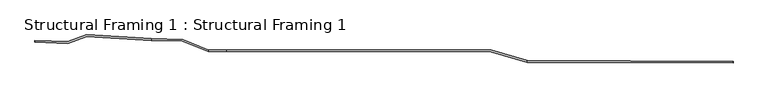
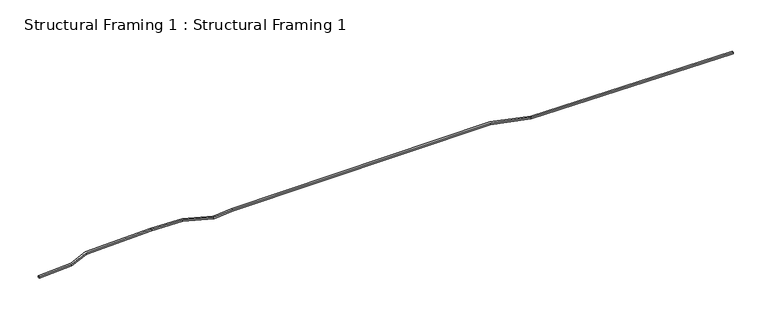
"""IFC4 building model written with IfcOpenShell, lengths in millimetres: beam geometry, Structural Framing 1 : Structural Framing 1."""

import ifcopenshell
import ifcopenshell.guid

model = None  # the IFC model being written
_history = None  # IfcOwnerHistory: only IFC2X3 demands one
_inside = {}  # id of a spatial element -> (the spatial element, [elements in it])
_under = {}  # id of a project, library or spatial element -> (it, [spatial elements below it])
_declared = {}  # id of a project -> (the project, [libraries it declares])
_typed = {}  # id of a type object -> (the type object, [elements of that type])
_made_of = {}  # id of a material, layer set ... -> (it, [elements and type objects made of it])


def new_model(schema):
    """Start an empty IFC model of exactly this schema.

    Asked for "IFC4X3", IfcOpenShell would pick the latest addendum, in which some entities
    have other attributes; the version numbers below select the first issue.
    IFC2X3 requires an IfcOwnerHistory on every rooted entity: one is made here for all.
    """
    global model, _history
    if schema == "IFC4X3":
        model = ifcopenshell.file(schema_version=(4, 3, 0, 0))
    else:
        model = ifcopenshell.file(schema=schema)
    _inside.clear()
    _under.clear()
    _declared.clear()
    _typed.clear()
    _made_of.clear()
    _history = None
    if model.schema == "IFC2X3":
        org = make("IfcOrganization", Name="unknown")
        user = make(
            "IfcPersonAndOrganization",
            ThePerson=make("IfcPerson", FamilyName="unknown"),
            TheOrganization=org,
        )
        app = make(
            "IfcApplication",
            ApplicationDeveloper=org,
            Version="unknown",
            ApplicationFullName="unknown",
            ApplicationIdentifier="unknown",
        )
        _history = make(
            "IfcOwnerHistory",
            OwningUser=user,
            OwningApplication=app,
            ChangeAction="ADDED",
            CreationDate=0,
        )
    return model


def make(cls, **values):
    """One entity of the class cls with the attributes given. An attribute that is None is left unset."""
    return model.create_entity(
        cls, **{name: value for name, value in values.items() if value is not None}
    )


def rooted(cls, **values):
    """An entity with a GlobalId (a new one), such as an element, a storey or a relation."""
    return make(cls, GlobalId=ifcopenshell.guid.new(), OwnerHistory=_history, **values)


def si_unit(unit_type, name, prefix=None):
    """IfcSIUnit, for example si_unit("LENGTHUNIT", "METRE", prefix="MILLI")."""
    return make("IfcSIUnit", UnitType=unit_type, Prefix=prefix, Name=name)


def assignment(units):
    """IfcUnitAssignment: the units of a project."""
    return None if units is None else make("IfcUnitAssignment", Units=units)


def point(xyz):
    """IfcCartesianPoint."""
    return None if xyz is None else make("IfcCartesianPoint", Coordinates=xyz)


def direction(xyz):
    """IfcDirection."""
    return None if xyz is None else make("IfcDirection", DirectionRatios=xyz)


def frame(location, z_axis=None, x_axis=None):
    """IfcAxis2Placement3D, a coordinate frame: its origin and axes. An axis left out is left unset."""
    return make(
        "IfcAxis2Placement3D",
        Location=point(location),
        Axis=direction(z_axis),
        RefDirection=direction(x_axis),
    )


def origin():
    """The frame at (0, 0, 0) with its axes left unset."""
    return frame((0.0, 0.0, 0.0))


def place(relative_to, where):
    """IfcLocalPlacement: puts the frame where relative to a parent placement (None: the world)."""
    return make(
        "IfcLocalPlacement", PlacementRelTo=relative_to, RelativePlacement=where
    )


def context(
    kind, dimensions, precision=None, world=None, true_north=None, identifier=None
):
    """IfcGeometricRepresentationContext, for example the 3D "Model" context."""
    return make(
        "IfcGeometricRepresentationContext",
        ContextIdentifier=identifier,
        ContextType=kind,
        CoordinateSpaceDimension=dimensions,
        Precision=precision,
        WorldCoordinateSystem=world,
        TrueNorth=true_north,
    )


def project(units=None, contexts=None):
    """IfcProject with its units and contexts."""
    return rooted(
        "IfcProject",
        Name="project",
        RepresentationContexts=contexts,
        UnitsInContext=assignment(units),
    )


def spatial(cls, under=None, at=None, **own):
    """A site, building, storey or space (cls), placed at a placement, below another one or the project."""
    s = rooted(cls, ObjectPlacement=at, **own)
    if under is not None:
        _under.setdefault(under.id(), (under, []))[1].append(s)
    return s


def faces_of(points, faces, orient=None, outer=None):
    """IfcFace entities. A face is a list of loops; a loop is a list of indices into points, from 0.

    orient and outer hold one flag for each loop. By default every Orientation is true, the
    first loop of a face is its IfcFaceOuterBound and the others are IfcFaceBound.
    """
    made = []
    for i, loops in enumerate(faces):
        bounds = []
        for j, loop in enumerate(loops):
            is_outer = j == 0 if outer is None else outer[i][j]
            bounds.append(
                make(
                    "IfcFaceOuterBound" if is_outer else "IfcFaceBound",
                    Bound=make("IfcPolyLoop", Polygon=[points[k] for k in loop]),
                    Orientation=True if orient is None else orient[i][j],
                )
            )
        made.append(make("IfcFace", Bounds=bounds))
    return made


def faceted_brep(points, faces, orient=None, outer=None, voids=None):
    """IfcFacetedBrep: a solid bounded by flat faces; with voids (closed shells), ...WithVoids."""
    shared = [point(p) for p in points]
    hull = make("IfcClosedShell", CfsFaces=faces_of(shared, faces, orient, outer))
    if voids is None:
        return make("IfcFacetedBrep", Outer=hull)
    return make(
        "IfcFacetedBrepWithVoids",
        Outer=hull,
        Voids=[
            make(cls, CfsFaces=faces_of(shared, fs, o, b)) for cls, fs, o, b in voids
        ],
    )


def shape(context_of_items, identifier, shape_type, items):
    """IfcShapeRepresentation: the items that make up one representation, for example the "Body"."""
    return make(
        "IfcShapeRepresentation",
        ContextOfItems=context_of_items,
        RepresentationIdentifier=identifier,
        RepresentationType=shape_type,
        Items=items,
    )


def source(mapping_origin, context_of_items, identifier, shape_type, items):
    """IfcRepresentationMap: a shape defined once, which mapped items show again and again."""
    return make(
        "IfcRepresentationMap",
        MappingOrigin=mapping_origin,
        MappedRepresentation=shape(context_of_items, identifier, shape_type, items),
    )


def transform(
    local_origin,
    x_axis=None,
    y_axis=None,
    z_axis=None,
    scale=None,
    scale2=None,
    scale3=None,
    uniform=True,
):
    """IfcCartesianTransformationOperator3D, or its non-uniform kind. x_axis, y_axis, z_axis: its Axis1, 2, 3."""
    if uniform:
        return make(
            "IfcCartesianTransformationOperator3D",
            Axis1=direction(x_axis),
            Axis2=direction(y_axis),
            LocalOrigin=point(local_origin),
            Scale=scale,
            Axis3=direction(z_axis),
        )
    return make(
        "IfcCartesianTransformationOperator3DnonUniform",
        Axis1=direction(x_axis),
        Axis2=direction(y_axis),
        LocalOrigin=point(local_origin),
        Scale=scale,
        Axis3=direction(z_axis),
        Scale2=scale2,
        Scale3=scale3,
    )


def mapped(mapping_source, mapping_target):
    """IfcMappedItem: shows the shape of a source again, moved by a transform."""
    return make(
        "IfcMappedItem", MappingSource=mapping_source, MappingTarget=mapping_target
    )


def made_of(thing, what):
    """Note that an element or type object is made of a material, layer set ...; save() writes the relation."""
    if what is not None:
        _made_of.setdefault(what.id(), (what, []))[1].append(thing)
    return thing


def element(
    cls,
    number,
    at=None,
    inside=None,
    cuts=None,
    type_object=None,
    material=None,
    context=None,
    identifier="Body",
    shape_type=None,
    held_by="IfcProductDefinitionShape",
    body=None,
    shapes=None,
    **own,
):
    """One element of the class cls, such as IfcWall. Its Tag is "e" and its number.

    at: its placement. inside: the storey or other place that contains it. cuts: it is an
    opening in that element (IfcRelVoidsElement). A single representation is given by context,
    identifier, shape_type and body (its items); several are given by shapes. held_by: the class
    of the entity that holds the representations. save() writes the other relations.
    """
    e = rooted(cls, Tag="e%d" % number, ObjectPlacement=at, **own)
    if body is not None:
        shapes = [shape(context, identifier, shape_type, body)]
    if shapes is not None:
        e.Representation = make(held_by, Representations=shapes)
    if inside is not None:
        _inside.setdefault(inside.id(), (inside, []))[1].append(e)
    if cuts is not None:
        rooted(
            "IfcRelVoidsElement", RelatingBuildingElement=cuts, RelatedOpeningElement=e
        )
    if type_object is not None:
        _typed.setdefault(type_object.id(), (type_object, []))[1].append(e)
    return made_of(e, material)


def aggregate(whole, parts):
    """IfcRelAggregates: a whole, such as a stair, and the parts it consists of."""
    return rooted("IfcRelAggregates", RelatingObject=whole, RelatedObjects=parts)


def save(model, path):
    """Write the relations noted so far, then the file.

    IfcRelAggregates (storeys below a building ...), IfcRelContainedInSpatialStructure (elements
    in a storey), IfcRelDefinesByType, IfcRelAssociatesMaterial and IfcRelDeclares: one each for
    every whole, place, type object, material and project.
    """
    for whole, parts in _under.values():
        aggregate(whole, parts)
    for where, things in _inside.values():
        rooted(
            "IfcRelContainedInSpatialStructure",
            RelatedElements=things,
            RelatingStructure=where,
        )
    for kind, things in _typed.values():
        rooted("IfcRelDefinesByType", RelatedObjects=things, RelatingType=kind)
    for what, things in _made_of.values():
        rooted("IfcRelAssociatesMaterial", RelatedObjects=things, RelatingMaterial=what)
    for by, libraries in _declared.values():
        rooted("IfcRelDeclares", RelatingContext=by, RelatedDefinitions=libraries)
    model.write(path)


def structural_framing_1_structural_framing_1_c924159b(model_context):
    return source(origin(), model_context, "Body", "Brep", [
        faceted_brep([(-61832.1280395, -7739.621119, 83403.0377062), (-64960.5648672, -8880.1138475, 83147.3360042), (-64960.5648672, -8880.1138475, 82867.0042843), (-61832.1280395, -7739.621119, 83122.7059864), (-51217.8011665, -8409.9652782, 84270.596042), (-51217.8011665, -8409.9652782, 83990.2643221), (-51211.5864461, -8410.1263718, 84271.104), (-51200.5474029, -8410.4125181, 83991.6745525), (-46059.5653403, -8543.6734112, 83978.3947165), (-46059.5653403, -8543.6734112, 84257.7956487), (-41798.8894582, -10249.6246999, 84246.7897598), (-41798.8894582, -10249.6246999, 83967.3888277), (4899.8239125, -10303.4479663, 84740.3358791), (-38721.749173, -10253.1713017, 84514.944), (-41771.8835548, -10249.6558259, 84246.72), (-41759.9824049, -10249.6695427, 83967.2883256), (-38708.767484, -10253.1862639, 84235.6073465), (4899.8239125, -10303.4479663, 84460.9321495), (10809.5961363, -12030.7992396, 84770.8715653), (10809.5961363, -12030.7992396, 84491.4678357), (44818.5422239, -12137.2099137, 84542.3789398), (10829.8080677, -12030.8624808, 84770.976), (10829.5903227, -12030.8617995, 84491.5711453), (44817.1002193, -12137.2054018, 84262.9823191), (44818.5422239, -12137.2099137, 84262.9823191), (44819.4164349, -11857.8112814, 84542.376), (44818.9793295, -11997.510583, 84542.376), (44819.4164349, -11857.8112814, 84262.9823191), (44818.9793295, -11857.8099137, 84542.376), (44817.1002193, -11857.8040342, 84262.9823191), (10850.0199991, -11751.5243543, 84491.433742), (10850.0199991, -11751.5243543, 84770.8400612), (10829.8080677, -11745.6166637, 84770.976), (10829.5903227, -11745.5530196, 84491.5711453), (4939.9774223, -10024.0940602, 84461.1396219), (4939.9774223, -10024.0940602, 84740.5433516), (-38721.749173, -9973.7711161, 84514.944), (-38708.767484, -9973.7860783, 84235.6073465), (-41744.8776514, -9970.2867664, 83968.6166138), (-41744.8776514, -9970.2867664, 84249.0948565), (-41771.8835548, -9959.4737505, 84246.72), (-41759.9824049, -9964.2389058, 83967.2883256), (-46002.2311632, -8265.6657366, 83978.2466147), (-46002.2311632, -8265.6657366, 84257.6475469), (-51205.3717257, -8130.7936149, 84271.0879466), (-51200.5474029, -8130.9186675, 83991.6745525), (-51205.3717257, -8130.7936149, 83991.2802382), (-61872.8814913, -7457.0907083, 83399.7067369), (-51211.5864461, -8130.4011263, 84271.104), (-61872.8814913, -7457.0907083, 83119.3750171), (-65005.6303465, -8599.1554156, 83143.6525928), (-65005.6303465, -8599.1554156, 82863.320873), (-70391.0215604, -8429.4869555, 82703.4795046), (-70372.6599089, -8430.0654451, 82424.648568), (-70391.0215604, -8429.4869555, 82423.1477848), (-70395.4206706, -8569.117675, 82703.1199448), (-70399.8197807, -8708.7483945, 82422.4286653), (-70399.8197807, -8708.7483945, 82703.1199448), (-70395.4206706, -8708.8869899, 82703.1199448), (-70372.6599089, -8709.6040749, 82424.648568)], [[[0, 1, 2, 3]], [[4, 0, 3, 5]], [[6, 4, 5, 7, 8, 9]], [[10, 9, 8, 11]], [[12, 13, 14, 10, 11, 15, 16, 17]], [[18, 12, 17, 19]], [[20, 21, 18, 19, 22, 23, 24]], [[25, 26, 20, 24, 27]], [[28, 25, 27, 29, 30, 31]], [[32, 31, 30, 33, 34, 35]], [[36, 35, 34, 37, 38, 39]], [[40, 39, 38, 41, 42, 43]], [[44, 43, 42, 45, 46]], [[47, 48, 44, 46, 49]], [[50, 47, 49, 51]], [[52, 50, 51, 53, 54]], [[55, 52, 54, 56, 57]], [[1, 58, 57, 56, 59, 2]], [[6, 48, 47, 50, 52, 55, 58, 1, 0, 4]], [[58, 55, 57]], [[28, 26, 25]], [[26, 28, 31, 32, 21, 20]], [[21, 32, 35, 36, 13, 12, 18]], [[13, 36, 39, 40, 14]], [[48, 6, 9, 10, 14, 40, 43, 44]], [[59, 53, 51, 49, 46, 45, 7, 5, 3, 2]], [[7, 45, 42, 41, 15, 11, 8]], [[15, 41, 38, 37, 16]], [[16, 37, 34, 33, 22, 19, 17]], [[22, 33, 30, 29, 23]], [[23, 29, 27, 24]], [[53, 59, 56, 54]]]),
    ])


if __name__ == "__main__":
    model = new_model("IFC4")
    model_context = context("Model", 3, world=origin())
    ifc_project = project(units=[si_unit("LENGTHUNIT", "METRE", prefix="MILLI")], contexts=[model_context])
    site = spatial("IfcSite", under=ifc_project)
    building = spatial("IfcBuilding", under=site)
    placement = place(None, origin())
    structural_framing_1_structural_framing_1_shape = structural_framing_1_structural_framing_1_c924159b(model_context)
    element("IfcBeam", 1, ObjectType="Structural Framing 1 : Structural Framing 1", at=placement, inside=building, context=model_context, shape_type="MappedRepresentation", body=[
        mapped(structural_framing_1_structural_framing_1_shape, transform((0.0, 0.0, 0.0), x_axis=(1.0, 0.0, 0.0), y_axis=(0.0, 1.0, 0.0), z_axis=(0.0, 0.0, 1.0))),
    ])
    save(model, "model.ifc")
